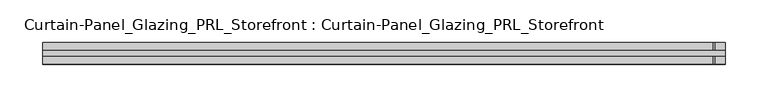
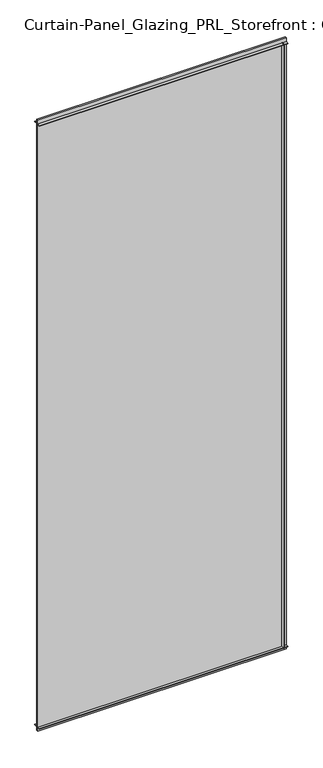
"""IFC4 building model written with IfcOpenShell, lengths in millimetres: plate geometry, Curtain-Panel_Glazing_PRL_Storefront : Curtain-Panel_Glazing_PRL_Storefront."""

from ifc_helpers import new_model, si_unit, frame, origin, origin_with_axes, place, context, project, spatial, polyline, outline, extrude, source, transform, mapped, element, save


def curtain_panel_glazing_prl_storefront_curtain_panel_glazing_f994569e(model_context):
    return source(origin(), model_context, "Body", "SweptSolid", [
        extrude(outline(polyline([(387.35, 12.7), (387.35, 3.175), (385.7625, 3.175), (385.7625, 12.7), (387.35, 12.7)])), frame((0.0, 0.0, 12.7), z_axis=(0.0, 0.0, 1.0), x_axis=(1.0, 0.0, 0.0)), (0.0, 0.0, 1.0), 2051.05),
        extrude(outline(polyline([(387.35, -12.7), (385.7625, -12.7), (385.7625, -3.175), (387.35, -3.175), (387.35, -12.7)])), frame((0.0, 0.0, 12.7), z_axis=(0.0, 0.0, 1.0), x_axis=(1.0, 0.0, 0.0)), (0.0, 0.0, 1.0), 2051.05),
        extrude(outline(polyline([(400.05, -3.175), (-400.05, -3.175), (-400.05, 3.175), (400.05, 3.175), (400.05, -3.175)])), origin_with_axes(), (0.0, 0.0, 1.0), 2076.45),
        extrude(outline(polyline([(-400.05, 12.7), (400.05, 12.7), (400.05, 3.175), (-400.05, 3.175), (-400.05, 12.7)])), frame((0.0, 0.0, 2062.1625), z_axis=(0.0, 0.0, 1.0), x_axis=(1.0, 0.0, 0.0)), (0.0, 0.0, 1.0), 1.5875),
        extrude(outline(polyline([(-400.05, -12.7), (-400.05, -3.175), (400.05, -3.175), (400.05, -12.7), (-400.05, -12.7)])), frame((0.0, 0.0, 2062.1625), z_axis=(0.0, 0.0, 1.0), x_axis=(1.0, 0.0, 0.0)), (0.0, 0.0, 1.0), 1.5875),
        extrude(outline(polyline([(-400.05, 12.7), (400.05, 12.7), (400.05, 3.175), (-400.05, 3.175), (-400.05, 12.7)])), frame((0.0, 0.0, 12.7), z_axis=(0.0, 0.0, 1.0), x_axis=(1.0, 0.0, 0.0)), (0.0, 0.0, 1.0), 1.5875),
        extrude(outline(polyline([(-400.05, -12.7), (-400.05, -3.175), (400.05, -3.175), (400.05, -12.7), (-400.05, -12.7)])), frame((0.0, 0.0, 12.7), z_axis=(0.0, 0.0, 1.0), x_axis=(1.0, 0.0, 0.0)), (0.0, 0.0, 1.0), 1.5875),
    ])


if __name__ == "__main__":
    model = new_model("IFC4")
    model_context = context("Model", 3, world=origin())
    ifc_project = project(units=[si_unit("LENGTHUNIT", "METRE", prefix="MILLI")], contexts=[model_context])
    site = spatial("IfcSite", under=ifc_project)
    building = spatial("IfcBuilding", under=site)
    placement = place(None, origin())
    curtain_panel_glazing_prl_storefront_curtain_panel_glazing_shape = curtain_panel_glazing_prl_storefront_curtain_panel_glazing_f994569e(model_context)
    element("IfcPlate", 1, ObjectType="Curtain-Panel_Glazing_PRL_Storefront : Curtain-Panel_Glazing_PRL_Storefront", at=placement, inside=building, context=model_context, shape_type="MappedRepresentation", body=[
        mapped(curtain_panel_glazing_prl_storefront_curtain_panel_glazing_shape, transform((0.0, 0.0, 0.0), x_axis=(1.0, 0.0, 0.0), y_axis=(0.0, 1.0, 0.0), z_axis=(0.0, 0.0, 1.0))),
    ])
    save(model, "model.ifc")
